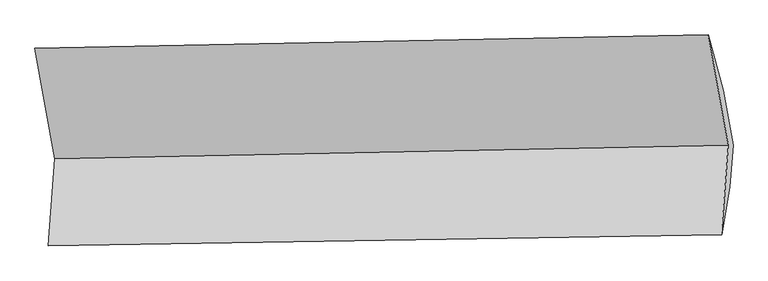
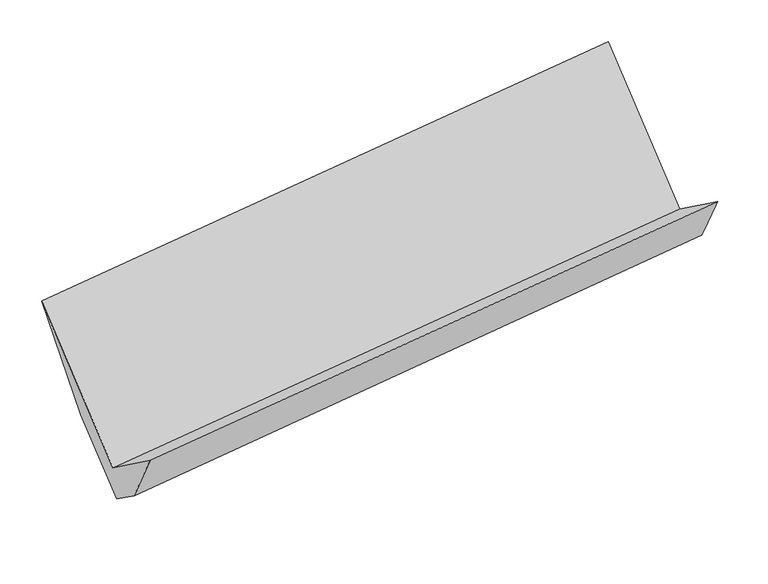
"""IFC4 building model written with IfcOpenShell, lengths in millimetres: proxy geometry."""

from ifc_helpers import new_model, si_unit, frame, origin, place, context, project, spatial, source, transform, mapped, element, save
from ifc_brep_helpers import plane_surface, spline_surface, advanced_brep


def generic_models_ad891161(model_context):
    return source(origin(), model_context, "Body", "AdvancedBrep", [
        advanced_brep(
        [(-5251.9675257, -1599.6868636, 1410.3444167), (-5299.3043694, -2225.6022258, 1872.2431661), (-458.4651216, -2144.8950907, 2443.9684835), (-409.9134752, -1502.9168986, 1970.2160531), (-5237.4205973, -1883.0291689, 1329.1454376), (-398.2694653, -1804.3976352, 1914.7575164), (-5215.6670666, -1595.3912949, 1116.880997), (-375.3011319, -1500.6969314, 1690.6393948), (-5288.5029581, -1193.9929613, 1653.3482693), (-447.0563089, -1105.2544113, 2219.1467462), (-5396.2085963, -804.7748468, 2472.7411573), (-554.1545458, -708.0048818, 3032.6127937)],
        [
            (0, 1),
            (1, 2),
            (2, 3),
            (3, 0),
            (1, 4),
            (4, 5),
            (5, 2),
            (4, 6),
            (6, 7),
            (7, 5),
            (6, 8),
            (8, 9),
            (9, 7),
            (8, 10),
            (10, 11),
            (11, 9),
            (10, 0),
            (3, 11),
        ],
        [
            plane_surface(frame((-5275.6359476, -1912.6445447, 1641.2937914), z_axis=(-0.10399971338100754, 0.5956407602013652, 0.7964898897057063), x_axis=(-0.060740134405495465, -0.8031414915064234, 0.5926840479490231))),
            spline_surface(1, 1, [[(-5299.3043694, -2225.6022258, 1872.2431661), (-458.4651216, -2144.8950907, 2443.9684835)], [(-5237.4205973, -1883.0291689, 1329.1454376), (-398.2694653, -1804.3976352, 1914.7575164)]], [2, 2], [2, 2], [0.0, 1.0], [0.0, 1.0]),
            plane_surface(frame((-5226.543832, -1739.2102319, 1223.0132173), z_axis=(0.10603579437527114, -0.5956123076435292, -0.7962426698530766), x_axis=(0.060740134405495534, 0.8031414915064233, -0.5926840479490234))),
            plane_surface(frame((-5252.0850123, -1394.6921281, 1385.1146331), z_axis=(0.054632813302521205, 0.8030296509177126, -0.5934295539132074), x_axis=(-0.10807144634678303, 0.5955813487442634, 0.795992097644492))),
            spline_surface(1, 1, [[(-5288.5029581, -1193.9929613, 1653.3482693), (-447.0563089, -1105.2544113, 2219.1467462)], [(-5396.2085963, -804.7748468, 2472.7411573), (-554.1545458, -708.0048818, 3032.6127937)]], [2, 2], [2, 2], [0.0, 1.0], [0.0, 1.0]),
            plane_surface(frame((-5324.088061, -1202.2308552, 1941.542787), z_axis=(-0.0525966484077079, -0.8029856147520369, 0.5936730540268519), x_axis=(0.10807144634678914, -0.5955813487442635, -0.7959920976444911))),
            plane_surface(frame((-440.5266748, -1461.0276415, 2211.8901646), z_axis=(0.9922858451862112, 0.015703555291867802, 0.12297235378035998), x_axis=(-0.11748453540459286, 0.43577446040207346, 0.8923553124187971))),
            plane_surface(frame((-5281.5118522, -1550.4128935, 1642.450574), z_axis=(-0.99228584518621, -0.015703555291838915, -0.12297235378037347), x_axis=(-0.10807144634678315, 0.5955813487442598, 0.7959920976444947))),
        ],
        [
            (0, [[1, 2, 3, 4]]),
            (1, [[5, 6, 7, -2]]),
            (2, [[8, 9, 10, -6]]),
            (3, [[11, 12, 13, -9]]),
            (4, [[14, 15, 16, -12]]),
            (5, [[17, -4, 18, -15]]),
            (6, [[-16, -18, -3, -7, -10, -13]]),
            (7, [[-17, -14, -11, -8, -5, -1]]),
        ],
    ),
    ])


if __name__ == "__main__":
    model = new_model("IFC4")
    model_context = context("Model", 3, world=origin())
    ifc_project = project(units=[si_unit("LENGTHUNIT", "METRE", prefix="MILLI")], contexts=[model_context])
    site = spatial("IfcSite", under=ifc_project)
    building = spatial("IfcBuilding", under=site)
    placement = place(None, origin())
    generic_models_shape = generic_models_ad891161(model_context)
    element("IfcBuildingElementProxy", 1, Name="Generic Models", at=placement, inside=building, context=model_context, shape_type="MappedRepresentation", body=[
        mapped(generic_models_shape, transform((0.0, 0.0, 0.0), x_axis=(1.0, 0.0, 0.0), y_axis=(0.0, 1.0, 0.0), z_axis=(0.0, 0.0, 1.0))),
    ])
    save(model, "model.ifc")
